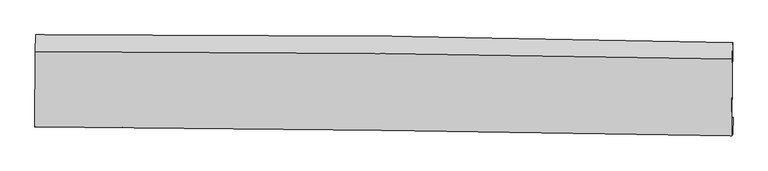
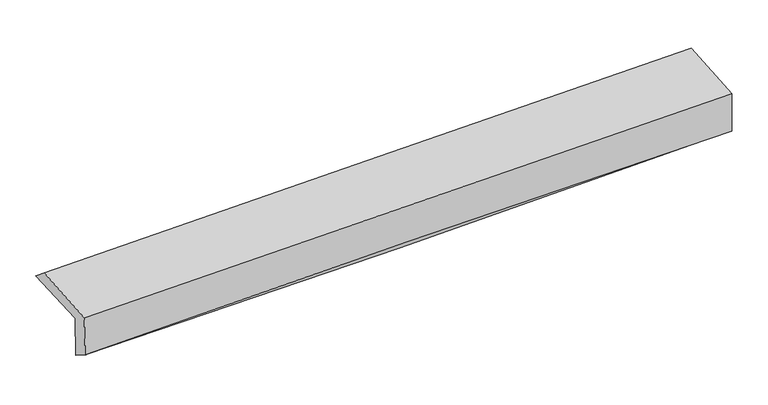
"""IFC4 building model written with IfcOpenShell, lengths in millimetres: proxy geometry."""

from ifc_helpers import new_model, si_unit, frame, origin, place, context, project, spatial, source, transform, mapped, element, save
from ifc_brep_helpers import plane_surface, spline_curve, spline_surface, advanced_brep


def generic_models_d35606e8(model_context):
    return source(origin(), model_context, "Body", "AdvancedBrep", [
        advanced_brep(
        [(-3033.5719949, -1765.9255655, 1961.8019675), (-3028.4119923, -1111.2828614, 1983.980591), (3019.1350396, -1179.173938, 2136.5260819), (3011.9417298, -1843.7907503, 2113.9626479), (-3024.4605273, -1753.1314012, 1582.038925), (3021.4110092, -1830.4941528, 1719.2861246), (-3028.2626312, -1914.5846514, 1683.2995325), (3016.9491071, -1977.4546357, 1835.9581537), (-3037.1185397, -1913.6402815, 2057.3140872), (3007.7375441, -1990.3893523, 2219.8931401), (-3032.4579322, -1255.2680198, 2101.9310576), (3014.4218947, -1323.5142999, 2265.1341194)],
        [
            (0, 1),
            (1, 2, spline_curve(3, [(-3028.4119923, -1111.2828614, 1983.980591), (-2019.589636998, -1108.713476226, 1986.10259709), (-1011.1327852, -1113.088460534, 1999.879760835), (1004.71598338, -1135.723419355, 2050.735977765), (2012.108142083, -1153.978793762, 2087.807311479), (3019.1350396, -1179.173938, 2136.5260819)], [4, 2, 4], [0.0, 9.925215401580287, 19.84714309759987])),
            (2, 3),
            (3, 0, spline_curve(3, [(3011.9417298, -1843.7907503, 2113.9626479), (2005.110942822, -1830.256151826, 2064.855740267), (997.986241553, -1817.001115805, 2027.622363214), (-1017.184805308, -1791.045868874, 1976.894266209), (-2025.231345701, -1778.345843416, 1963.407416747), (-3033.5719949, -1765.9255655, 1961.8019675)], [4, 2, 4], [0.0, 9.921927696019582, 19.84714309759987])),
            (4, 0),
            (3, 5),
            (5, 4, spline_curve(3, [(3021.4110092, -1830.4941528, 1719.2861246), (2014.561112975, -1816.986387093, 1670.975677143), (1007.397047878, -1803.786624978, 1635.382974074), (-1007.893255988, -1777.99883704, 1589.625478136), (-2016.019703058, -1765.411015216, 1579.469114456), (-3024.4605273, -1753.1314012, 1582.038925)], [4, 2, 4], [0.0, 9.920342391902434, 19.8439719640631])),
            (6, 4),
            (5, 7),
            (7, 6, spline_curve(3, [(3016.9491071, -1977.4546357, 1835.9581537), (2009.626673404, -1955.659596248, 1813.802788518), (1002.28126555, -1939.522841679, 1790.00593353), (-1012.78929886, -1918.562430001, 1739.120814282), (-2020.514470045, -1913.742523048, 1712.031462586), (-3028.2626312, -1914.5846514, 1683.2995325)], [4, 2, 4], [0.0, 9.919324092700194, 19.8419350282375])),
            (8, 6),
            (7, 9),
            (9, 8, spline_curve(3, [(3007.7375441, -1990.3893523, 2219.8931401), (2000.67543802, -1970.457604814, 2186.070621547), (993.489843482, -1954.096442809, 2155.612794621), (-1021.462102543, -1928.511052737, 2101.417546864), (-2029.228535894, -1919.289190701, 2077.682356062), (-3037.1185397, -1913.6402815, 2057.3140872)], [4, 2, 4], [0.0, 9.918909195558983, 19.841105096475783])),
            (10, 8),
            (9, 11),
            (11, 10, spline_curve(3, [(3014.4218947, -1323.5142999, 2265.1341194), (2007.065265744, -1302.159230072, 2231.400628021), (999.563795595, -1285.794620333, 2200.935338795), (-1016.062717198, -1263.042552757, 2146.532152045), (-2024.187856112, -1256.658402332, 2122.596420699), (-3032.4579322, -1255.2680198, 2101.9310576)], [4, 2, 4], [0.0, 9.920599611765237, 19.844486489020447])),
            (1, 10),
            (11, 2),
        ],
        [
            spline_surface(3, 3, [[(-3033.5719949, -1765.9255655, 1961.8019675), (-2025.23134555, -1778.345843315, 1963.407416659), (-1017.184805264, -1791.045868897, 1976.894266278), (997.986241509, -1817.001115782, 2027.622363145), (2005.11094275, -1830.256151832, 2064.855740335), (3011.9417298, -1843.7907503, 2113.9626479)], [(-3031.851994016, -1547.711330772, 1969.194842019), (-2023.350776008, -1555.13505423, 1970.972476847), (-1015.167465225, -1565.060066121, 1984.556097762), (1000.229488798, -1589.908550291, 2035.326901393), (2007.443342555, -1604.8303658, 2072.506264005), (3014.339499724, -1622.251812877, 2121.483792571)], [(-3030.131993184, -1329.497096128, 1976.587716481), (-2021.470206518, -1331.924265229, 1978.537536979), (-1013.150125211, -1339.07426335, 1992.217929237), (1002.472736062, -1362.815984806, 2043.031439632), (2009.775742387, -1379.404579739, 2080.156787661), (3016.737269676, -1400.712875423, 2129.004937229)], [(-3028.4119923, -1111.2828614, 1983.980591), (-2019.589636976, -1108.713476144, 1986.102597168), (-1011.132785172, -1113.088460574, 1999.879760721), (1004.715983351, -1135.723419315, 2050.73597788), (2012.108142193, -1153.978793708, 2087.807311331), (3019.1350396, -1179.173938, 2136.5260819)]], [4, 4], [4, 2, 4], [0.0, 2.231095102568598], [0.0, 9.925215401580287, 19.84714309759987]),
            spline_surface(3, 3, [[(-3024.4605273, -1753.1314012, 1582.038925), (-2016.019702998, -1765.41101509, 1579.469114374), (-1007.893256028, -1777.998836992, 1589.625478009), (1007.397047918, -1803.786625027, 1635.382974201), (2014.561113077, -1816.98638696, 1670.975677057), (3021.4110092, -1830.4941528, 1719.2861246)], [(-3027.497683167, -1757.396122658, 1708.626605846), (-2019.090250516, -1769.722624523, 1707.448548482), (-1010.990439115, -1782.347847628, 1718.715074085), (1004.260112441, -1808.19145528, 1766.129437169), (2011.411056302, -1821.40964191, 1802.269031469), (3018.254582734, -1834.926351959, 1850.844965686)], [(-3030.534839033, -1761.660844042, 1835.214286654), (-2022.160798032, -1774.034233881, 1835.427982551), (-1014.087622177, -1786.696858261, 1847.804670202), (1001.123176987, -1812.596285529, 1896.875900177), (2008.260999525, -1825.832896882, 1933.562385922), (3015.098156266, -1839.358551141, 1982.403806814)], [(-3033.5719949, -1765.9255655, 1961.8019675), (-2025.23134555, -1778.345843315, 1963.407416659), (-1017.184805264, -1791.045868897, 1976.894266278), (997.986241509, -1817.001115782, 2027.622363145), (2005.11094275, -1830.256151832, 2064.855740335), (3011.9417298, -1843.7907503, 2113.9626479)]], [4, 4], [4, 2, 4], [0.0, 1.2798113117728995], [0.0, 9.923629572160667, 19.8439719640631]),
            spline_surface(3, 3, [[(-3028.2626312, -1914.5846514, 1683.2995325), (-2020.514470113, -1913.742523083, 1712.031462435), (-1012.789298746, -1918.562429885, 1739.120814383), (1002.281265436, -1939.522841795, 1790.005933429), (2009.62667355, -1955.659596377, 1813.802788549), (3016.9491071, -1977.4546357, 1835.9581537)], [(-3026.99526325, -1860.766901333, 1649.545996661), (-2019.016214425, -1864.298687085, 1667.844013076), (-1011.157284509, -1871.707898904, 1689.289035576), (1003.986526261, -1894.277436189, 1738.464947004), (2011.271486751, -1909.435193229, 1766.193751401), (3018.436407825, -1928.467808058, 1797.067477349)], [(-3025.72789525, -1806.949151267, 1615.792460839), (-2017.517958686, -1814.854851088, 1623.656563734), (-1009.525270265, -1824.853367973, 1639.457256816), (1005.691787093, -1849.032030633, 1686.923960626), (2012.916299876, -1863.210790107, 1718.584714205), (3019.923708475, -1879.480980442, 1758.176800951)], [(-3024.4605273, -1753.1314012, 1582.038925), (-2016.019702998, -1765.41101509, 1579.469114374), (-1007.893256028, -1777.998836992, 1589.625478009), (1007.397047918, -1803.786625027, 1635.382974201), (2014.561113077, -1816.98638696, 1670.975677057), (3021.4110092, -1830.4941528, 1719.2861246)]], [4, 4], [4, 2, 4], [0.0, 0.6742297755310177], [0.0, 9.922610935537307, 19.8419350282375]),
            spline_surface(3, 3, [[(-3037.1185397, -1913.6402815, 2057.3140872), (-2029.228535895, -1919.289190788, 2077.682356098), (-1021.46210256, -1928.511052634, 2101.41754682), (993.489843499, -1954.096442912, 2155.612794665), (2000.675438144, -1970.457604656, 2186.070621556), (3007.7375441, -1990.3893523, 2219.8931401)], [(-3034.166570201, -1913.955071451, 1932.642568972), (-2026.323847302, -1917.440301538, 1955.798724882), (-1018.571167939, -1925.194845074, 1980.651969349), (996.420317494, -1949.238575897, 2033.743840928), (2003.659183277, -1965.524935234, 2061.98134388), (3010.808065098, -1986.077780104, 2091.914811294)], [(-3031.214600699, -1914.269861449, 1807.971050728), (-2023.419158705, -1915.591412333, 1833.915093651), (-1015.680233367, -1921.878637444, 1859.886391854), (999.350791441, -1944.380708811, 1911.874887166), (2006.642928416, -1960.592265799, 1937.892066224), (3013.878586102, -1981.766207896, 1963.936482506)], [(-3028.2626312, -1914.5846514, 1683.2995325), (-2020.514470113, -1913.742523083, 1712.031462435), (-1012.789298746, -1918.562429885, 1739.120814383), (1002.281265436, -1939.522841795, 1790.005933429), (2009.62667355, -1955.659596377, 1813.802788549), (3016.9491071, -1977.4546357, 1835.9581537)]], [4, 4], [4, 2, 4], [0.0, 1.1950865288151462], [0.0, 9.9221959009168, 19.841105096475783]),
            spline_surface(3, 3, [[(-3032.4579322, -1255.2680198, 2101.9310576), (-2024.187856277, -1256.6584022, 2122.596420727), (-1016.062717281, -1263.042552628, 2146.532151994), (999.563795677, -1285.794620462, 2200.935338846), (2007.065265657, -1302.159230068, 2231.400628167), (3014.4218947, -1323.5142999, 2265.1341194)], [(-3034.011468021, -1474.725440366, 2087.058734118), (-2025.868082804, -1477.535331728, 2107.625065835), (-1017.86251238, -1484.865385953, 2131.493950276), (997.539144944, -1508.561894602, 2185.827824126), (2004.935323147, -1524.925354935, 2216.290625952), (3012.193777828, -1545.805984038, 2250.053792956)], [(-3035.565003879, -1694.182860934, 2072.186410682), (-2027.548309368, -1698.41226126, 2092.653710991), (-1019.66230746, -1706.688219308, 2116.455748538), (995.514494232, -1731.329168772, 2170.720309385), (2002.805380654, -1747.691479789, 2201.18062377), (3009.965660972, -1768.097668162, 2234.973466544)], [(-3037.1185397, -1913.6402815, 2057.3140872), (-2029.228535895, -1919.289190788, 2077.682356098), (-1021.46210256, -1928.511052634, 2101.41754682), (993.489843499, -1954.096442912, 2155.612794665), (2000.675438144, -1970.457604656, 2186.070621556), (3007.7375441, -1990.3893523, 2219.8931401)]], [4, 4], [4, 2, 4], [0.0, 2.193046540832758], [0.0, 9.92388687725521, 19.844486489020447]),
            spline_surface(3, 3, [[(-3028.4119923, -1111.2828614, 1983.980591), (-2019.589636976, -1108.713476144, 1986.102597168), (-1011.132785172, -1113.088460574, 1999.879760721), (1004.715983351, -1135.723419315, 2050.73597788), (2012.108142193, -1153.978793708, 2087.807311331), (3019.1350396, -1179.173938, 2136.5260819)], [(-3029.760638945, -1159.27791422, 2023.297413185), (-2021.122376754, -1158.028451516, 2031.60053834), (-1012.776095882, -1163.073157929, 2048.763891157), (1002.998587452, -1185.747153035, 2100.802431547), (2010.427183337, -1203.372272492, 2135.671750287), (3017.56399129, -1227.287391964, 2179.395427744)], [(-3031.109285555, -1207.27296698, 2062.614235415), (-2022.655116499, -1207.343426828, 2077.098479556), (-1014.41940657, -1213.057855273, 2097.648021558), (1001.281191576, -1235.770886742, 2150.868885179), (2008.746224512, -1252.765751284, 2183.536189211), (3015.99294301, -1275.400845936, 2222.264773556)], [(-3032.4579322, -1255.2680198, 2101.9310576), (-2024.187856277, -1256.6584022, 2122.596420727), (-1016.062717281, -1263.042552628, 2146.532151994), (999.563795677, -1285.794620462, 2200.935338846), (2007.065265657, -1302.159230068, 2231.400628167), (3014.4218947, -1323.5142999, 2265.1341194)]], [4, 4], [4, 2, 4], [0.0, 0.6925546552103027], [0.0, 9.926136453803279, 19.848984896949347]),
            plane_surface(frame((3015.2660541, -1690.8028549, 2048.4600446), z_axis=(0.9996541144660331, -0.011620462018276385, 0.023592716961236798), x_axis=(0.023972012313988565, 0.03366108286548737, -0.9991457722104121))),
            plane_surface(frame((-3030.7139363, -1618.9721301, 1895.0610268), z_axis=(-0.9996815938885741, 0.008682329471585615, -0.023692361540107915), x_axis=(-0.007877402239392072, -0.999395591672922, -0.033858497879988445))),
        ],
        [
            (0, [[1, 2, 3, 4]]),
            (1, [[5, -4, 6, 7]]),
            (2, [[8, -7, 9, 10]]),
            (3, [[11, -10, 12, 13]]),
            (4, [[14, -13, 15, 16]]),
            (5, [[17, -16, 18, -2]]),
            (6, [[-12, -9, -6, -3, -18, -15]]),
            (7, [[-1, -5, -8, -11, -14, -17]]),
        ],
    ),
    ])


if __name__ == "__main__":
    model = new_model("IFC4")
    model_context = context("Model", 3, world=origin())
    ifc_project = project(units=[si_unit("LENGTHUNIT", "METRE", prefix="MILLI")], contexts=[model_context])
    site = spatial("IfcSite", under=ifc_project)
    building = spatial("IfcBuilding", under=site)
    placement = place(None, origin())
    generic_models_shape = generic_models_d35606e8(model_context)
    element("IfcBuildingElementProxy", 1, Name="Generic Models", at=placement, inside=building, context=model_context, shape_type="MappedRepresentation", body=[
        mapped(generic_models_shape, transform((0.0, 0.0, 0.0), x_axis=(1.0, 0.0, 0.0), y_axis=(0.0, 1.0, 0.0), z_axis=(0.0, 0.0, 1.0))),
    ])
    save(model, "model.ifc")
